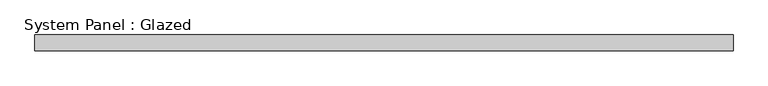
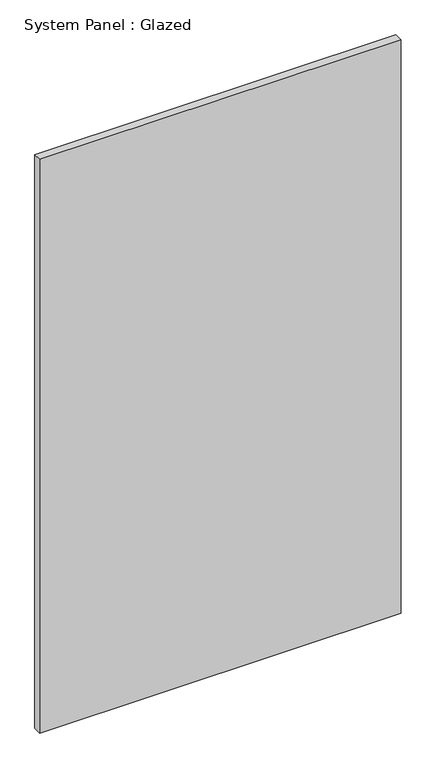
"""IFC4 building model written with IfcOpenShell, lengths in millimetres: plate geometry, System Panel : Glazed."""

from ifc_helpers import new_model, si_unit, origin, origin_with_axes, place, context, project, spatial, polyline, outline, extrude, source, transform, mapped, element, save


def system_panel_glazed_668fd189(model_context):
    return source(origin(), model_context, "Body", "SweptSolid", [
        extrude(outline(polyline([(561.975, 19.05), (-561.975, 19.05), (-561.975, 44.45), (561.975, 44.45), (561.975, 19.05)])), origin_with_axes(), (0.0, 0.0, 1.0), 1885.95),
    ])


if __name__ == "__main__":
    model = new_model("IFC4")
    model_context = context("Model", 3, world=origin())
    ifc_project = project(units=[si_unit("LENGTHUNIT", "METRE", prefix="MILLI")], contexts=[model_context])
    site = spatial("IfcSite", under=ifc_project)
    building = spatial("IfcBuilding", under=site)
    placement = place(None, origin())
    system_panel_glazed_shape = system_panel_glazed_668fd189(model_context)
    element("IfcPlate", 1, ObjectType="System Panel : Glazed", at=placement, inside=building, context=model_context, shape_type="MappedRepresentation", body=[
        mapped(system_panel_glazed_shape, transform((0.0, 0.0, 0.0), x_axis=(1.0, 0.0, 0.0), y_axis=(0.0, 1.0, 0.0), z_axis=(0.0, 0.0, 1.0))),
    ])
    save(model, "model.ifc")
